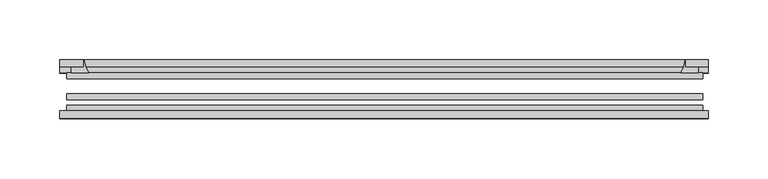
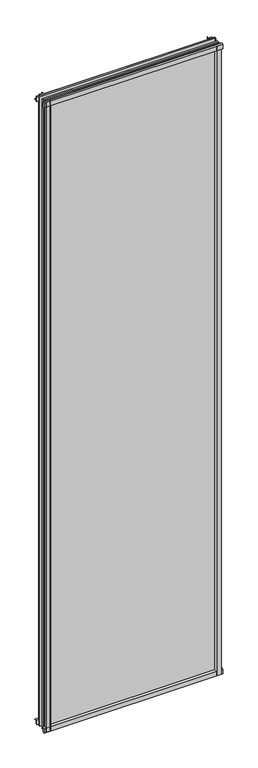
"""IFC4 building model written with IfcOpenShell, lengths in millimetres: plate geometry."""

from ifc_helpers import new_model, si_unit, point, frame, frame_2d, origin, place, context, project, spatial, polyline, circle_curve, trimmed, segment, composite_curve, outline, extrude, source, transform, mapped, element, save


def plate_b87e3bb3(model_context):
    return source(origin(), model_context, "Body", "SweptSolid", [
        extrude(outline(composite_curve([segment(polyline([(-85.1328625, 1995.5063002), (-78.7828625, 1995.5063002), (-78.7828625, 1979.2561909)]), True, "CONTINUOUS"), segment(trimmed(circle_curve(frame_2d((-85.0581856, 1970.2064356)), 11.0126179), [point((-78.7828625, 1979.2561909))], [point((-85.1328625, 1981.2188002))], True, "CARTESIAN"), True, "CONTINUOUS"), segment(polyline([(-85.1328625, 1981.2188002), (-85.1328625, 1995.5063002)]), True, "CONTINUOUS")], self_intersect=False)), frame((-270.8671875, 0.0, 0.0), z_axis=(1.0, 0.0, 0.0), x_axis=(0.0, 1.0, 0.0)), (0.0, 0.0, 1.0), 540.54375),
        extrude(outline(composite_curve([segment(polyline([(-265.1125, -78.7828625), (-248.2512844, -78.7828625)]), True, "CONTINUOUS"), segment(trimmed(circle_curve(frame_2d((-237.6888809, -86.7604812)), 13.2365693), [point((-248.2512844, -78.7828625))], [point((-250.825, -85.1328625))], True, "CARTESIAN"), True, "CONTINUOUS"), segment(polyline([(-250.825, -85.1328625), (-265.1125, -85.1328625), (-265.1125, -78.7828625)]), True, "CONTINUOUS")], self_intersect=False)), frame((0.0, 0.0, -14.2875), z_axis=(0.0, 0.0, 1.0), x_axis=(1.0, 0.0, 0.0)), (0.0, 0.0, 1.0), 2009.775),
        extrude(outline(composite_curve([segment(polyline([(265.1125, -78.7828625), (265.1125, -85.1328625), (250.825, -85.1328625)]), True, "CONTINUOUS"), segment(trimmed(circle_curve(frame_2d((237.6888809, -86.7604812)), 13.2365693), [point((250.825, -85.1328625))], [point((248.2512844, -78.7828625))], True, "CARTESIAN"), True, "CONTINUOUS"), segment(polyline([(248.2512844, -78.7828625), (265.1125, -78.7828625)]), True, "CONTINUOUS")], self_intersect=False)), frame((0.0, 0.0, -14.2875), z_axis=(0.0, 0.0, 1.0), x_axis=(1.0, 0.0, 0.0)), (0.0, 0.0, 1.0), 2009.775),
        extrude(outline(composite_curve([segment(polyline([(-47.1852625, -10.4712201), (-47.1852625, 3.9588469)]), True, "CONTINUOUS"), segment(trimmed(circle_curve(frame_2d((-30.6824422, 32.267054)), 32.7673262), [point((-47.1852625, 3.9588469))], [point((-36.3503395, -0.00635))], True, "CARTESIAN"), True, "CONTINUOUS"), segment(polyline([(-36.3503395, -0.00635), (-42.2830625, -0.00635), (-42.2830625, -10.4712201), (-47.1852625, -10.4712201)]), True, "CONTINUOUS")], self_intersect=False)), frame((-270.8671875, 0.0, 0.0), z_axis=(1.0, 0.0, 0.0), x_axis=(0.0, 1.0, 0.0)), (0.0, 0.0, 1.0), 540.54375),
        extrude(outline(composite_curve([segment(polyline([(-78.7828625, -14.2875), (-85.1328625, -14.2875), (-85.1328625, -0.0127)]), True, "CONTINUOUS"), segment(trimmed(circle_curve(frame_2d((-86.7604812, 13.1234191)), 13.2365693), [point((-85.1328625, -0.0127))], [point((-78.7828625, 2.5610156))], True, "CARTESIAN"), True, "CONTINUOUS"), segment(polyline([(-78.7828625, 2.5610156), (-78.7828625, -14.2875)]), True, "CONTINUOUS")], self_intersect=False)), frame((-270.8671875, 0.0, 0.0), z_axis=(1.0, 0.0, 0.0), x_axis=(0.0, 1.0, 0.0)), (0.0, 0.0, 1.0), 540.54375),
        extrude(outline(composite_curve([segment(polyline([(-47.1852625, 1977.2284531), (-47.1852625, 1991.9002564), (-42.2830625, 1991.9002564), (-42.2830625, 1981.2), (-36.3140625, 1981.2)]), True, "CONTINUOUS"), segment(trimmed(circle_curve(frame_2d((-30.6824422, 1948.920246)), 32.7673262), [point((-36.3140625, 1981.2))], [point((-47.1852625, 1977.2284531))], True, "CARTESIAN"), True, "CONTINUOUS")], self_intersect=False)), frame((-270.8671875, 0.0, 0.0), z_axis=(1.0, 0.0, 0.0), x_axis=(0.0, 1.0, 0.0)), (0.0, 0.0, 1.0), 540.54375),
        extrude(outline(composite_curve([segment(trimmed(circle_curve(frame_2d((218.545246, -30.6824422)), 32.7673262), [point((246.8534531, -47.1852625))], [point((250.825, -36.3140625))], True, "CARTESIAN"), True, "CONTINUOUS"), segment(polyline([(250.825, -36.3140625), (250.825, -42.2830625), (261.5253653, -42.2830625), (261.5253653, -47.1852625), (246.8534531, -47.1852625)]), True, "CONTINUOUS")], self_intersect=False)), frame((0.0, 0.0, -14.2875), z_axis=(0.0, 0.0, 1.0), x_axis=(1.0, 0.0, 0.0)), (0.0, 0.0, 1.0), 2009.775),
        extrude(outline(composite_curve([segment(polyline([(-246.8534531, -47.1852625), (-261.5202092, -47.1852625), (-261.5202092, -42.2830625), (-250.825, -42.2830625), (-250.825, -36.3140625)]), True, "CONTINUOUS"), segment(trimmed(circle_curve(frame_2d((-218.545246, -30.6824422)), 32.7673262), [point((-250.825, -36.3140625))], [point((-246.8534531, -47.1852625))], True, "CARTESIAN"), True, "CONTINUOUS")], self_intersect=False)), frame((0.0, 0.0, -14.2875), z_axis=(0.0, 0.0, 1.0), x_axis=(1.0, 0.0, 0.0)), (0.0, 0.0, 1.0), 2009.775),
        extrude(outline(polyline([(265.1125, -64.6604625), (265.1125, -69.4356625), (-265.1125, -69.4356625), (-265.1125, -64.6604625), (265.1125, -64.6604625)])), frame((0.0, 0.0, -14.2875), z_axis=(0.0, 0.0, 1.0), x_axis=(1.0, 0.0, 0.0)), (0.0, 0.0, 1.0), 2009.775),
        extrude(outline(polyline([(-265.1125, -78.7828625), (-265.1125, -74.0076625), (265.1125, -74.0076625), (265.1125, -78.7828625), (-265.1125, -78.7828625)])), frame((0.0, 0.0, -14.2875), z_axis=(0.0, 0.0, 1.0), x_axis=(1.0, 0.0, 0.0)), (0.0, 0.0, 1.0), 2009.775),
        extrude(outline(polyline([(-265.1125, -47.1852625), (265.1125, -47.1852625), (265.1125, -51.9604625), (-265.1125, -51.9604625), (-265.1125, -47.1852625)])), frame((0.0, 0.0, -14.2875), z_axis=(0.0, 0.0, 1.0), x_axis=(1.0, 0.0, 0.0)), (0.0, 0.0, 1.0), 2009.775),
    ])


if __name__ == "__main__":
    model = new_model("IFC4")
    model_context = context("Model", 3, world=origin())
    ifc_project = project(units=[si_unit("LENGTHUNIT", "METRE", prefix="MILLI")], contexts=[model_context])
    site = spatial("IfcSite", under=ifc_project)
    building = spatial("IfcBuilding", under=site)
    placement = place(None, origin())
    plate_shape = plate_b87e3bb3(model_context)
    element("IfcPlate", 1, at=placement, inside=building, context=model_context, shape_type="MappedRepresentation", body=[
        mapped(plate_shape, transform((0.0, 0.0, 0.0), x_axis=(1.0, 0.0, 0.0), y_axis=(0.0, 1.0, 0.0), z_axis=(0.0, 0.0, 1.0))),
    ])
    save(model, "model.ifc")
